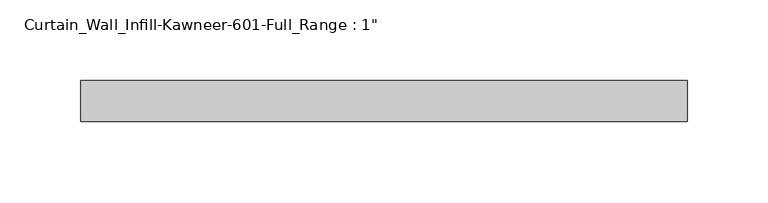
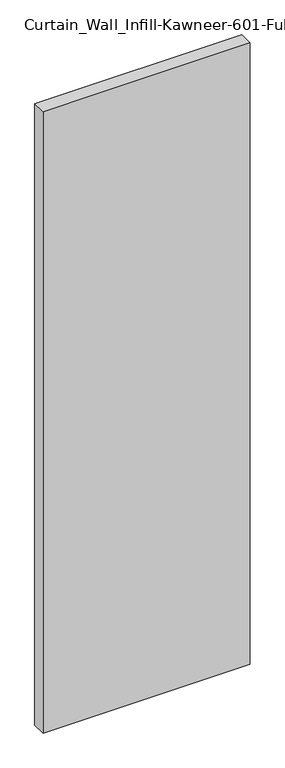
"""IFC4 building model written with IfcOpenShell, lengths in millimetres: plate geometry."""

from ifc_helpers import new_model, si_unit, origin, origin_with_axes, place, context, project, spatial, polyline, outline, extrude, source, transform, mapped, element, save


def plate_7b57515a(model_context):
    return source(origin(), model_context, "Body", "SweptSolid", [
        extrude(outline(polyline([(-187.325, 12.7), (187.325, 12.7), (187.325, -12.7), (-187.325, -12.7), (-187.325, 12.7)])), origin_with_axes(), (0.0, 0.0, 1.0), 1187.45),
    ])


if __name__ == "__main__":
    model = new_model("IFC4")
    model_context = context("Model", 3, world=origin())
    ifc_project = project(units=[si_unit("LENGTHUNIT", "METRE", prefix="MILLI")], contexts=[model_context])
    site = spatial("IfcSite", under=ifc_project)
    building = spatial("IfcBuilding", under=site)
    placement = place(None, origin())
    plate_shape = plate_7b57515a(model_context)
    element("IfcPlate", 1, ObjectType="Curtain_Wall_Infill-Kawneer-601-Full_Range : 1\"", at=placement, inside=building, context=model_context, shape_type="MappedRepresentation", body=[
        mapped(plate_shape, transform((0.0, 0.0, 0.0), x_axis=(1.0, 0.0, 0.0), y_axis=(0.0, 1.0, 0.0), z_axis=(0.0, 0.0, 1.0))),
    ])
    save(model, "model.ifc")
